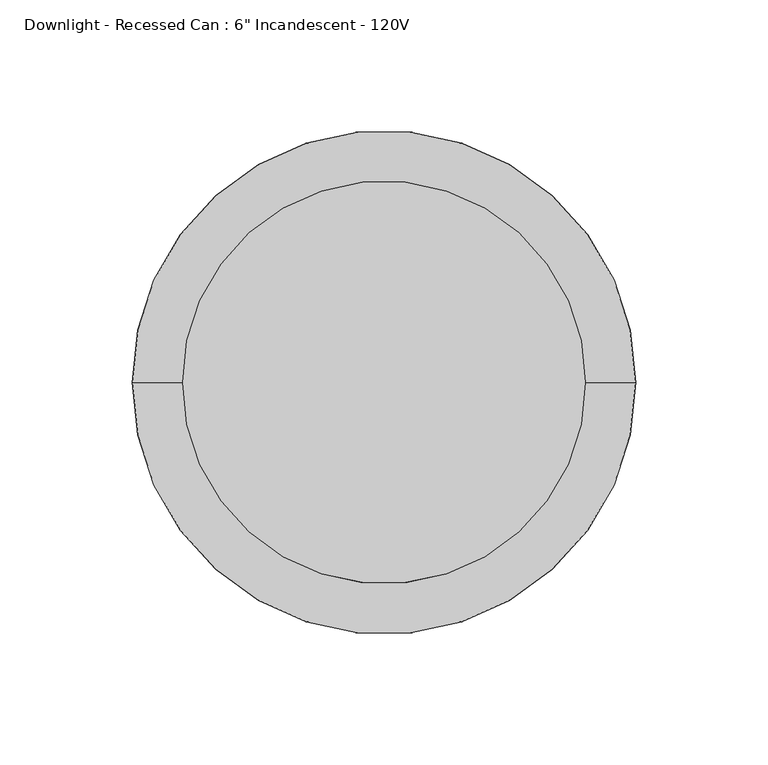
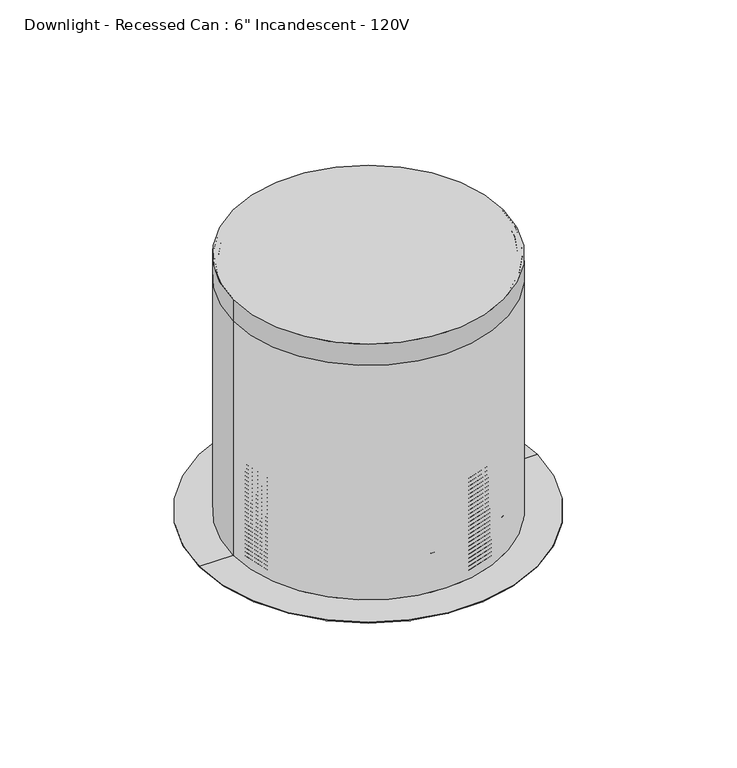
"""IFC4 building model written with IfcOpenShell, lengths in millimetres: light fixture geometry."""

from ifc_helpers import new_model, si_unit, point, frame, origin, origin_2d, place, context, project, spatial, polyline, circle_curve, ellipse_curve, trimmed, segment, composite_curve, outline, extrude, source, transform, mapped, element, save
from ifc_brep_helpers import plane_surface, cylinder_surface, revolved_surface, advanced_brep


def light_fixture_e6fbd5f8(model_context):
    return source(origin(), model_context, "Body", "SolidModel", [
        extrude(outline(composite_curve([segment(trimmed(circle_curve(origin_2d(), 76.2), [point((-76.2, 0.0))], [point((76.2, 0.0))], False, "CARTESIAN"), True, "CONTINUOUS"), segment(trimmed(circle_curve(origin_2d(), 76.2), [point((76.2, 0.0))], [point((-76.2, 0.0))], False, "CARTESIAN"), True, "CONTINUOUS")], self_intersect=False)), frame((0.0, 0.0, 2578.1), z_axis=(0.0, 0.0, 1.0), x_axis=(1.0, 0.0, 0.0)), (0.0, 0.0, 1.0), 12.7),
        advanced_brep(
        [(-75.4062638, 0.0, 2461.1274041), (-75.4062638, 0.0, 2460.2502292), (75.4062638, 0.0, 2460.2502292), (75.4062638, 0.0, 2461.1274041), (0.0, 0.0, 2444.750067), (0.0, 0.0, 2443.95625)],
        [
            (0, 1),
            (1, 2, circle_curve(frame((0.0, 0.0, 2460.2502292), z_axis=(0.0, 0.0, 1.0), x_axis=(1.0, 0.0, 0.0)), 75.4062638)),
            (2, 3),
            (3, 0, circle_curve(frame((0.0, 0.0, 2461.1274041), z_axis=(0.0, 0.0, -1.0), x_axis=(1.0, 0.0, 0.0)), 75.4062638)),
            (2, 1, circle_curve(frame((0.0, 0.0, 2460.2502292), z_axis=(0.0, 0.0, 1.0), x_axis=(1.0, 0.0, 0.0)), 75.4062638)),
            (0, 3, circle_curve(frame((0.0, 0.0, 2461.1274041), z_axis=(0.0, 0.0, -1.0), x_axis=(1.0, 0.0, 0.0)), 75.4062638)),
            (4, 0, circle_curve(frame((-2.2331891, 0.0, 2616.2531893), z_axis=(0.0, 1.0, 0.0), x_axis=(-1.0, 0.0, 0.0)), 171.5176612)),
            (3, 4, circle_curve(frame((2.2331891, 0.0, 2616.2531893), z_axis=(0.0, 1.0, 0.0), x_axis=(1.0, 0.0, 0.0)), 171.5176612)),
            (1, 5, circle_curve(frame((-2.2331891, 0.0, 2616.2531893), z_axis=(0.0, -1.0, 0.0), x_axis=(-1.0, 0.0, 0.0)), 172.3114112)),
            (5, 2, circle_curve(frame((2.2331891, 0.0, 2616.2531893), z_axis=(0.0, -1.0, 0.0), x_axis=(1.0, 0.0, 0.0)), 172.3114112)),
        ],
        [
            cylinder_surface(frame((0.0, 0.0, 2483.4474833), z_axis=(0.0, 0.0, 1.0), x_axis=(1.0, 0.0, 0.0)), 75.4062638),
            revolved_surface(trimmed(ellipse_curve(frame((2.2331891, 0.0, 2616.2531893), z_axis=(0.0, 1.0, 0.0), x_axis=(1.0, 0.0, 0.0)), 171.5176612, 171.5176612), [point((75.4062638, 0.0, 2461.1274041))], [point((0.0, 0.0, 2444.750067))], True, "CARTESIAN"), (0.0, 0.0, 2483.4474833), (0.0, 0.0, 1.0)),
            revolved_surface(trimmed(ellipse_curve(frame((2.2331891, 0.0, 2616.2531893), z_axis=(0.0, -1.0, 0.0), x_axis=(1.0, 0.0, 0.0)), 172.3114112, 172.3114112), [point((0.0, 0.0, 2443.95625))], [point((75.4062638, 0.0, 2460.2502292))], True, "CARTESIAN"), (0.0, 0.0, 2483.4474833), (0.0, 0.0, 1.0)),
        ],
        [
            (0, [[1, 2, 3, 4]]),
            (0, [[-3, 5, -1, 6]]),
            (1, [[7, -4, 8]]),
            (1, [[-8, -6, -7]]),
            (2, [[9, 10, -2]]),
            (2, [[-10, -9, -5]]),
        ],
    ),
        advanced_brep(
        [(0.0, 75.40625, 2590.8), (0.0, 75.40625, 2438.4), (0.0, -75.40625, 2438.4), (0.0, -75.40625, 2590.8), (0.0, 73.025, 2590.8), (0.0, -73.025, 2590.8), (0.0, 73.025, 2497.93125), (0.0, -73.025, 2497.93125), (0.0, 74.215625, 2496.740625), (0.0, -74.215625, 2496.740625), (0.0, 73.025, 2495.55), (0.0, -73.025, 2495.55), (0.0, 74.215625, 2494.359375), (0.0, -74.215625, 2494.359375), (0.0, 73.025, 2493.16875), (0.0, -73.025, 2493.16875), (0.0, 74.215625, 2491.978125), (0.0, -74.215625, 2491.978125), (0.0, 73.025, 2490.7875), (0.0, -73.025, 2490.7875), (0.0, 74.215625, 2489.596875), (0.0, -74.215625, 2489.596875), (0.0, 73.025, 2488.40625), (0.0, -73.025, 2488.40625), (0.0, 74.215625, 2487.215625), (0.0, -74.215625, 2487.215625), (0.0, 73.025, 2486.025), (0.0, -73.025, 2486.025), (0.0, 74.215625, 2484.834375), (0.0, -74.215625, 2484.834375), (0.0, 73.025, 2483.64375), (0.0, -73.025, 2483.64375), (0.0, 74.215625, 2482.453125), (0.0, -74.215625, 2482.453125), (0.0, 73.025, 2481.2625), (0.0, -73.025, 2481.2625), (0.0, 74.215625, 2480.071875), (0.0, -74.215625, 2480.071875), (0.0, 73.025, 2478.88125), (0.0, -73.025, 2478.88125), (0.0, 74.215625, 2477.690625), (0.0, -74.215625, 2477.690625), (0.0, 73.025, 2476.5), (0.0, -73.025, 2476.5), (0.0, 74.215625, 2475.309375), (0.0, -74.215625, 2475.309375), (0.0, 73.025, 2474.11875), (0.0, -73.025, 2474.11875), (0.0, 74.215625, 2472.928125), (0.0, -74.215625, 2472.928125), (0.0, 73.025, 2471.7375), (0.0, -73.025, 2471.7375), (0.0, 74.215625, 2470.546875), (0.0, -74.215625, 2470.546875), (0.0, 73.025, 2469.35625), (0.0, -73.025, 2469.35625), (0.0, 74.215625, 2468.165625), (0.0, -74.215625, 2468.165625), (0.0, 73.025, 2466.975), (0.0, -73.025, 2466.975), (0.0, 74.215625, 2465.784375), (0.0, -74.215625, 2465.784375), (0.0, 73.025, 2464.59375), (0.0, -73.025, 2464.59375), (0.0, 74.215625, 2463.403125), (0.0, -74.215625, 2463.403125), (0.0, 73.025, 2462.2125), (0.0, -73.025, 2462.2125), (0.0, 74.215625, 2461.021875), (0.0, -74.215625, 2461.021875), (0.0, 73.025, 2459.83125), (0.0, -73.025, 2459.83125), (0.0, 74.215625, 2458.640625), (0.0, -74.215625, 2458.640625), (0.0, 73.025, 2457.45), (0.0, -73.025, 2457.45), (0.0, 74.215625, 2456.259375), (0.0, -74.215625, 2456.259375), (0.0, 73.025, 2455.06875), (0.0, -73.025, 2455.06875), (0.0, 74.215625, 2453.878125), (0.0, -74.215625, 2453.878125), (0.0, 73.025, 2452.6875), (0.0, -73.025, 2452.6875), (0.0, 74.215625, 2451.496875), (0.0, -74.215625, 2451.496875), (0.0, 73.025, 2450.30625), (0.0, -73.025, 2450.30625), (0.0, 74.215625, 2449.115625), (0.0, -74.215625, 2449.115625), (0.0, 73.025, 2447.925), (0.0, -73.025, 2447.925), (0.0, 74.215625, 2446.734375), (0.0, -74.215625, 2446.734375), (0.0, 73.025, 2445.54375), (0.0, -73.025, 2445.54375), (0.0, 74.215625, 2444.353125), (0.0, -74.215625, 2444.353125), (0.0, 73.025, 2443.1625), (0.0, -73.025, 2443.1625), (0.0, 74.215625, 2441.971875), (0.0, -74.215625, 2441.971875), (0.0, 73.025, 2440.78125), (0.0, -73.025, 2440.78125)],
        [
            (0, 1),
            (1, 2, circle_curve(frame((0.0, 0.0, 2438.4), z_axis=(0.0, 0.0, 1.0), x_axis=(0.0, -1.0, 0.0)), 75.40625)),
            (2, 3),
            (3, 0, circle_curve(frame((0.0, 0.0, 2590.8), z_axis=(0.0, 0.0, -1.0), x_axis=(0.0, -1.0, 0.0)), 75.40625)),
            (2, 1, circle_curve(frame((0.0, 0.0, 2438.4), z_axis=(0.0, 0.0, 1.0), x_axis=(0.0, -1.0, 0.0)), 75.40625)),
            (0, 3, circle_curve(frame((0.0, 0.0, 2590.8), z_axis=(0.0, 0.0, -1.0), x_axis=(0.0, -1.0, 0.0)), 75.40625)),
            (4, 0),
            (3, 5),
            (5, 4, circle_curve(frame((0.0, 0.0, 2590.8), z_axis=(0.0, 0.0, -1.0), x_axis=(0.0, -1.0, 0.0)), 73.025)),
            (4, 5, circle_curve(frame((0.0, 0.0, 2590.8), z_axis=(0.0, 0.0, -1.0), x_axis=(0.0, -1.0, 0.0)), 73.025)),
            (6, 4),
            (5, 7),
            (7, 6, circle_curve(frame((0.0, 0.0, 2497.93125), z_axis=(0.0, 0.0, -1.0), x_axis=(0.0, -1.0, 0.0)), 73.025)),
            (6, 7, circle_curve(frame((0.0, 0.0, 2497.93125), z_axis=(0.0, 0.0, -1.0), x_axis=(0.0, -1.0, 0.0)), 73.025)),
            (8, 6),
            (7, 9),
            (9, 8, circle_curve(frame((0.0, 0.0, 2496.740625), z_axis=(0.0, 0.0, -1.0), x_axis=(0.0, -1.0, 0.0)), 74.215625)),
            (8, 9, circle_curve(frame((0.0, 0.0, 2496.740625), z_axis=(0.0, 0.0, -1.0), x_axis=(0.0, -1.0, 0.0)), 74.215625)),
            (10, 8),
            (9, 11),
            (11, 10, circle_curve(frame((0.0, 0.0, 2495.55), z_axis=(0.0, 0.0, -1.0), x_axis=(0.0, -1.0, 0.0)), 73.025)),
            (10, 11, circle_curve(frame((0.0, 0.0, 2495.55), z_axis=(0.0, 0.0, -1.0), x_axis=(0.0, -1.0, 0.0)), 73.025)),
            (12, 10),
            (11, 13),
            (13, 12, circle_curve(frame((0.0, 0.0, 2494.359375), z_axis=(0.0, 0.0, -1.0), x_axis=(0.0, -1.0, 0.0)), 74.215625)),
            (12, 13, circle_curve(frame((0.0, 0.0, 2494.359375), z_axis=(0.0, 0.0, -1.0), x_axis=(0.0, -1.0, 0.0)), 74.215625)),
            (14, 12),
            (13, 15),
            (15, 14, circle_curve(frame((0.0, 0.0, 2493.16875), z_axis=(0.0, 0.0, -1.0), x_axis=(0.0, -1.0, 0.0)), 73.025)),
            (14, 15, circle_curve(frame((0.0, 0.0, 2493.16875), z_axis=(0.0, 0.0, -1.0), x_axis=(0.0, -1.0, 0.0)), 73.025)),
            (16, 14),
            (15, 17),
            (17, 16, circle_curve(frame((0.0, 0.0, 2491.978125), z_axis=(0.0, 0.0, -1.0), x_axis=(0.0, -1.0, 0.0)), 74.215625)),
            (16, 17, circle_curve(frame((0.0, 0.0, 2491.978125), z_axis=(0.0, 0.0, -1.0), x_axis=(0.0, -1.0, 0.0)), 74.215625)),
            (18, 16),
            (17, 19),
            (19, 18, circle_curve(frame((0.0, 0.0, 2490.7875), z_axis=(0.0, 0.0, -1.0), x_axis=(0.0, -1.0, 0.0)), 73.025)),
            (18, 19, circle_curve(frame((0.0, 0.0, 2490.7875), z_axis=(0.0, 0.0, -1.0), x_axis=(0.0, -1.0, 0.0)), 73.025)),
            (20, 18),
            (19, 21),
            (21, 20, circle_curve(frame((0.0, 0.0, 2489.596875), z_axis=(0.0, 0.0, -1.0), x_axis=(0.0, -1.0, 0.0)), 74.215625)),
            (20, 21, circle_curve(frame((0.0, 0.0, 2489.596875), z_axis=(0.0, 0.0, -1.0), x_axis=(0.0, -1.0, 0.0)), 74.215625)),
            (22, 20),
            (21, 23),
            (23, 22, circle_curve(frame((0.0, 0.0, 2488.40625), z_axis=(0.0, 0.0, -1.0), x_axis=(0.0, -1.0, 0.0)), 73.025)),
            (22, 23, circle_curve(frame((0.0, 0.0, 2488.40625), z_axis=(0.0, 0.0, -1.0), x_axis=(0.0, -1.0, 0.0)), 73.025)),
            (24, 22),
            (23, 25),
            (25, 24, circle_curve(frame((0.0, 0.0, 2487.215625), z_axis=(0.0, 0.0, -1.0), x_axis=(0.0, -1.0, 0.0)), 74.215625)),
            (24, 25, circle_curve(frame((0.0, 0.0, 2487.215625), z_axis=(0.0, 0.0, -1.0), x_axis=(0.0, -1.0, 0.0)), 74.215625)),
            (26, 24),
            (25, 27),
            (27, 26, circle_curve(frame((0.0, 0.0, 2486.025), z_axis=(0.0, 0.0, -1.0), x_axis=(0.0, -1.0, 0.0)), 73.025)),
            (26, 27, circle_curve(frame((0.0, 0.0, 2486.025), z_axis=(0.0, 0.0, -1.0), x_axis=(0.0, -1.0, 0.0)), 73.025)),
            (28, 26),
            (27, 29),
            (29, 28, circle_curve(frame((0.0, 0.0, 2484.834375), z_axis=(0.0, 0.0, -1.0), x_axis=(0.0, -1.0, 0.0)), 74.215625)),
            (28, 29, circle_curve(frame((0.0, 0.0, 2484.834375), z_axis=(0.0, 0.0, -1.0), x_axis=(0.0, -1.0, 0.0)), 74.215625)),
            (30, 28),
            (29, 31),
            (31, 30, circle_curve(frame((0.0, 0.0, 2483.64375), z_axis=(0.0, 0.0, -1.0), x_axis=(0.0, -1.0, 0.0)), 73.025)),
            (30, 31, circle_curve(frame((0.0, 0.0, 2483.64375), z_axis=(0.0, 0.0, -1.0), x_axis=(0.0, -1.0, 0.0)), 73.025)),
            (32, 30),
            (31, 33),
            (33, 32, circle_curve(frame((0.0, 0.0, 2482.453125), z_axis=(0.0, 0.0, -1.0), x_axis=(0.0, -1.0, 0.0)), 74.215625)),
            (32, 33, circle_curve(frame((0.0, 0.0, 2482.453125), z_axis=(0.0, 0.0, -1.0), x_axis=(0.0, -1.0, 0.0)), 74.215625)),
            (34, 32),
            (33, 35),
            (35, 34, circle_curve(frame((0.0, 0.0, 2481.2625), z_axis=(0.0, 0.0, -1.0), x_axis=(0.0, -1.0, 0.0)), 73.025)),
            (34, 35, circle_curve(frame((0.0, 0.0, 2481.2625), z_axis=(0.0, 0.0, -1.0), x_axis=(0.0, -1.0, 0.0)), 73.025)),
            (36, 34),
            (35, 37),
            (37, 36, circle_curve(frame((0.0, 0.0, 2480.071875), z_axis=(0.0, 0.0, -1.0), x_axis=(0.0, -1.0, 0.0)), 74.215625)),
            (36, 37, circle_curve(frame((0.0, 0.0, 2480.071875), z_axis=(0.0, 0.0, -1.0), x_axis=(0.0, -1.0, 0.0)), 74.215625)),
            (38, 36),
            (37, 39),
            (39, 38, circle_curve(frame((0.0, 0.0, 2478.88125), z_axis=(0.0, 0.0, -1.0), x_axis=(0.0, -1.0, 0.0)), 73.025)),
            (38, 39, circle_curve(frame((0.0, 0.0, 2478.88125), z_axis=(0.0, 0.0, -1.0), x_axis=(0.0, -1.0, 0.0)), 73.025)),
            (40, 38),
            (39, 41),
            (41, 40, circle_curve(frame((0.0, 0.0, 2477.690625), z_axis=(0.0, 0.0, -1.0), x_axis=(0.0, -1.0, 0.0)), 74.215625)),
            (40, 41, circle_curve(frame((0.0, 0.0, 2477.690625), z_axis=(0.0, 0.0, -1.0), x_axis=(0.0, -1.0, 0.0)), 74.215625)),
            (42, 40),
            (41, 43),
            (43, 42, circle_curve(frame((0.0, 0.0, 2476.5), z_axis=(0.0, 0.0, -1.0), x_axis=(0.0, -1.0, 0.0)), 73.025)),
            (42, 43, circle_curve(frame((0.0, 0.0, 2476.5), z_axis=(0.0, 0.0, -1.0), x_axis=(0.0, -1.0, 0.0)), 73.025)),
            (44, 42),
            (43, 45),
            (45, 44, circle_curve(frame((0.0, 0.0, 2475.309375), z_axis=(0.0, 0.0, -1.0), x_axis=(0.0, -1.0, 0.0)), 74.215625)),
            (44, 45, circle_curve(frame((0.0, 0.0, 2475.309375), z_axis=(0.0, 0.0, -1.0), x_axis=(0.0, -1.0, 0.0)), 74.215625)),
            (46, 44),
            (45, 47),
            (47, 46, circle_curve(frame((0.0, 0.0, 2474.11875), z_axis=(0.0, 0.0, -1.0), x_axis=(0.0, -1.0, 0.0)), 73.025)),
            (46, 47, circle_curve(frame((0.0, 0.0, 2474.11875), z_axis=(0.0, 0.0, -1.0), x_axis=(0.0, -1.0, 0.0)), 73.025)),
            (48, 46),
            (47, 49),
            (49, 48, circle_curve(frame((0.0, 0.0, 2472.928125), z_axis=(0.0, 0.0, -1.0), x_axis=(0.0, -1.0, 0.0)), 74.215625)),
            (48, 49, circle_curve(frame((0.0, 0.0, 2472.928125), z_axis=(0.0, 0.0, -1.0), x_axis=(0.0, -1.0, 0.0)), 74.215625)),
            (50, 48),
            (49, 51),
            (51, 50, circle_curve(frame((0.0, 0.0, 2471.7375), z_axis=(0.0, 0.0, -1.0), x_axis=(0.0, -1.0, 0.0)), 73.025)),
            (50, 51, circle_curve(frame((0.0, 0.0, 2471.7375), z_axis=(0.0, 0.0, -1.0), x_axis=(0.0, -1.0, 0.0)), 73.025)),
            (52, 50),
            (51, 53),
            (53, 52, circle_curve(frame((0.0, 0.0, 2470.546875), z_axis=(0.0, 0.0, -1.0), x_axis=(0.0, -1.0, 0.0)), 74.215625)),
            (52, 53, circle_curve(frame((0.0, 0.0, 2470.546875), z_axis=(0.0, 0.0, -1.0), x_axis=(0.0, -1.0, 0.0)), 74.215625)),
            (54, 52),
            (53, 55),
            (55, 54, circle_curve(frame((0.0, 0.0, 2469.35625), z_axis=(0.0, 0.0, -1.0), x_axis=(0.0, -1.0, 0.0)), 73.025)),
            (54, 55, circle_curve(frame((0.0, 0.0, 2469.35625), z_axis=(0.0, 0.0, -1.0), x_axis=(0.0, -1.0, 0.0)), 73.025)),
            (56, 54),
            (55, 57),
            (57, 56, circle_curve(frame((0.0, 0.0, 2468.165625), z_axis=(0.0, 0.0, -1.0), x_axis=(0.0, -1.0, 0.0)), 74.215625)),
            (56, 57, circle_curve(frame((0.0, 0.0, 2468.165625), z_axis=(0.0, 0.0, -1.0), x_axis=(0.0, -1.0, 0.0)), 74.215625)),
            (58, 56),
            (57, 59),
            (59, 58, circle_curve(frame((0.0, 0.0, 2466.975), z_axis=(0.0, 0.0, -1.0), x_axis=(0.0, -1.0, 0.0)), 73.025)),
            (58, 59, circle_curve(frame((0.0, 0.0, 2466.975), z_axis=(0.0, 0.0, -1.0), x_axis=(0.0, -1.0, 0.0)), 73.025)),
            (60, 58),
            (59, 61),
            (61, 60, circle_curve(frame((0.0, 0.0, 2465.784375), z_axis=(0.0, 0.0, -1.0), x_axis=(0.0, -1.0, 0.0)), 74.215625)),
            (60, 61, circle_curve(frame((0.0, 0.0, 2465.784375), z_axis=(0.0, 0.0, -1.0), x_axis=(0.0, -1.0, 0.0)), 74.215625)),
            (62, 60),
            (61, 63),
            (63, 62, circle_curve(frame((0.0, 0.0, 2464.59375), z_axis=(0.0, 0.0, -1.0), x_axis=(0.0, -1.0, 0.0)), 73.025)),
            (62, 63, circle_curve(frame((0.0, 0.0, 2464.59375), z_axis=(0.0, 0.0, -1.0), x_axis=(0.0, -1.0, 0.0)), 73.025)),
            (64, 62),
            (63, 65),
            (65, 64, circle_curve(frame((0.0, 0.0, 2463.403125), z_axis=(0.0, 0.0, -1.0), x_axis=(0.0, -1.0, 0.0)), 74.215625)),
            (64, 65, circle_curve(frame((0.0, 0.0, 2463.403125), z_axis=(0.0, 0.0, -1.0), x_axis=(0.0, -1.0, 0.0)), 74.215625)),
            (66, 64),
            (65, 67),
            (67, 66, circle_curve(frame((0.0, 0.0, 2462.2125), z_axis=(0.0, 0.0, -1.0), x_axis=(0.0, -1.0, 0.0)), 73.025)),
            (66, 67, circle_curve(frame((0.0, 0.0, 2462.2125), z_axis=(0.0, 0.0, -1.0), x_axis=(0.0, -1.0, 0.0)), 73.025)),
            (68, 66),
            (67, 69),
            (69, 68, circle_curve(frame((0.0, 0.0, 2461.021875), z_axis=(0.0, 0.0, -1.0), x_axis=(0.0, -1.0, 0.0)), 74.215625)),
            (68, 69, circle_curve(frame((0.0, 0.0, 2461.021875), z_axis=(0.0, 0.0, -1.0), x_axis=(0.0, -1.0, 0.0)), 74.215625)),
            (70, 68),
            (69, 71),
            (71, 70, circle_curve(frame((0.0, 0.0, 2459.83125), z_axis=(0.0, 0.0, -1.0), x_axis=(0.0, -1.0, 0.0)), 73.025)),
            (70, 71, circle_curve(frame((0.0, 0.0, 2459.83125), z_axis=(0.0, 0.0, -1.0), x_axis=(0.0, -1.0, 0.0)), 73.025)),
            (72, 70),
            (71, 73),
            (73, 72, circle_curve(frame((0.0, 0.0, 2458.640625), z_axis=(0.0, 0.0, -1.0), x_axis=(0.0, -1.0, 0.0)), 74.215625)),
            (72, 73, circle_curve(frame((0.0, 0.0, 2458.640625), z_axis=(0.0, 0.0, -1.0), x_axis=(0.0, -1.0, 0.0)), 74.215625)),
            (74, 72),
            (73, 75),
            (75, 74, circle_curve(frame((0.0, 0.0, 2457.45), z_axis=(0.0, 0.0, -1.0), x_axis=(0.0, -1.0, 0.0)), 73.025)),
            (74, 75, circle_curve(frame((0.0, 0.0, 2457.45), z_axis=(0.0, 0.0, -1.0), x_axis=(0.0, -1.0, 0.0)), 73.025)),
            (76, 74),
            (75, 77),
            (77, 76, circle_curve(frame((0.0, 0.0, 2456.259375), z_axis=(0.0, 0.0, -1.0), x_axis=(0.0, -1.0, 0.0)), 74.215625)),
            (76, 77, circle_curve(frame((0.0, 0.0, 2456.259375), z_axis=(0.0, 0.0, -1.0), x_axis=(0.0, -1.0, 0.0)), 74.215625)),
            (78, 76),
            (77, 79),
            (79, 78, circle_curve(frame((0.0, 0.0, 2455.06875), z_axis=(0.0, 0.0, -1.0), x_axis=(0.0, -1.0, 0.0)), 73.025)),
            (78, 79, circle_curve(frame((0.0, 0.0, 2455.06875), z_axis=(0.0, 0.0, -1.0), x_axis=(0.0, -1.0, 0.0)), 73.025)),
            (80, 78),
            (79, 81),
            (81, 80, circle_curve(frame((0.0, 0.0, 2453.878125), z_axis=(0.0, 0.0, -1.0), x_axis=(0.0, -1.0, 0.0)), 74.215625)),
            (80, 81, circle_curve(frame((0.0, 0.0, 2453.878125), z_axis=(0.0, 0.0, -1.0), x_axis=(0.0, -1.0, 0.0)), 74.215625)),
            (82, 80),
            (81, 83),
            (83, 82, circle_curve(frame((0.0, 0.0, 2452.6875), z_axis=(0.0, 0.0, -1.0), x_axis=(0.0, -1.0, 0.0)), 73.025)),
            (82, 83, circle_curve(frame((0.0, 0.0, 2452.6875), z_axis=(0.0, 0.0, -1.0), x_axis=(0.0, -1.0, 0.0)), 73.025)),
            (84, 82),
            (83, 85),
            (85, 84, circle_curve(frame((0.0, 0.0, 2451.496875), z_axis=(0.0, 0.0, -1.0), x_axis=(0.0, -1.0, 0.0)), 74.215625)),
            (84, 85, circle_curve(frame((0.0, 0.0, 2451.496875), z_axis=(0.0, 0.0, -1.0), x_axis=(0.0, -1.0, 0.0)), 74.215625)),
            (86, 84),
            (85, 87),
            (87, 86, circle_curve(frame((0.0, 0.0, 2450.30625), z_axis=(0.0, 0.0, -1.0), x_axis=(0.0, -1.0, 0.0)), 73.025)),
            (86, 87, circle_curve(frame((0.0, 0.0, 2450.30625), z_axis=(0.0, 0.0, -1.0), x_axis=(0.0, -1.0, 0.0)), 73.025)),
            (88, 86),
            (87, 89),
            (89, 88, circle_curve(frame((0.0, 0.0, 2449.115625), z_axis=(0.0, 0.0, -1.0), x_axis=(0.0, -1.0, 0.0)), 74.215625)),
            (88, 89, circle_curve(frame((0.0, 0.0, 2449.115625), z_axis=(0.0, 0.0, -1.0), x_axis=(0.0, -1.0, 0.0)), 74.215625)),
            (90, 88),
            (89, 91),
            (91, 90, circle_curve(frame((0.0, 0.0, 2447.925), z_axis=(0.0, 0.0, -1.0), x_axis=(0.0, -1.0, 0.0)), 73.025)),
            (90, 91, circle_curve(frame((0.0, 0.0, 2447.925), z_axis=(0.0, 0.0, -1.0), x_axis=(0.0, -1.0, 0.0)), 73.025)),
            (92, 90),
            (91, 93),
            (93, 92, circle_curve(frame((0.0, 0.0, 2446.734375), z_axis=(0.0, 0.0, -1.0), x_axis=(0.0, -1.0, 0.0)), 74.215625)),
            (92, 93, circle_curve(frame((0.0, 0.0, 2446.734375), z_axis=(0.0, 0.0, -1.0), x_axis=(0.0, -1.0, 0.0)), 74.215625)),
            (94, 92),
            (93, 95),
            (95, 94, circle_curve(frame((0.0, 0.0, 2445.54375), z_axis=(0.0, 0.0, -1.0), x_axis=(0.0, -1.0, 0.0)), 73.025)),
            (94, 95, circle_curve(frame((0.0, 0.0, 2445.54375), z_axis=(0.0, 0.0, -1.0), x_axis=(0.0, -1.0, 0.0)), 73.025)),
            (96, 94),
            (95, 97),
            (97, 96, circle_curve(frame((0.0, 0.0, 2444.353125), z_axis=(0.0, 0.0, -1.0), x_axis=(0.0, -1.0, 0.0)), 74.215625)),
            (96, 97, circle_curve(frame((0.0, 0.0, 2444.353125), z_axis=(0.0, 0.0, -1.0), x_axis=(0.0, -1.0, 0.0)), 74.215625)),
            (98, 96),
            (97, 99),
            (99, 98, circle_curve(frame((0.0, 0.0, 2443.1625), z_axis=(0.0, 0.0, -1.0), x_axis=(0.0, -1.0, 0.0)), 73.025)),
            (98, 99, circle_curve(frame((0.0, 0.0, 2443.1625), z_axis=(0.0, 0.0, -1.0), x_axis=(0.0, -1.0, 0.0)), 73.025)),
            (100, 98),
            (99, 101),
            (101, 100, circle_curve(frame((0.0, 0.0, 2441.971875), z_axis=(0.0, 0.0, -1.0), x_axis=(0.0, -1.0, 0.0)), 74.215625)),
            (100, 101, circle_curve(frame((0.0, 0.0, 2441.971875), z_axis=(0.0, 0.0, -1.0), x_axis=(0.0, -1.0, 0.0)), 74.215625)),
            (102, 100),
            (101, 103),
            (103, 102, circle_curve(frame((0.0, 0.0, 2440.78125), z_axis=(0.0, 0.0, -1.0), x_axis=(0.0, -1.0, 0.0)), 73.025)),
            (102, 103, circle_curve(frame((0.0, 0.0, 2440.78125), z_axis=(0.0, 0.0, -1.0), x_axis=(0.0, -1.0, 0.0)), 73.025)),
            (1, 102),
            (103, 2),
        ],
        [
            cylinder_surface(frame((0.0, 0.0, 2410.61875), z_axis=(0.0, 0.0, 1.0), x_axis=(0.0, -1.0, 0.0)), 75.40625),
            plane_surface(frame((0.0, 0.0, 2590.8), z_axis=(0.0, 0.0, 1.0), x_axis=(0.0, -1.0, 0.0))),
            revolved_surface(polyline([(0.0, -73.025, 2590.8), (0.0, -73.025, 2497.93125)]), (0.0, 0.0, 2410.61875), (0.0, 0.0, 1.0)),
            revolved_surface(polyline([(0.0, -73.025, 2497.93125), (0.0, -74.215625, 2496.740625)]), (0.0, 0.0, 2410.61875), (0.0, 0.0, 1.0)),
            revolved_surface(polyline([(0.0, -74.215625, 2496.740625), (0.0, -73.025, 2495.55)]), (0.0, 0.0, 2410.61875), (0.0, 0.0, 1.0)),
            revolved_surface(polyline([(0.0, -73.025, 2495.55), (0.0, -74.215625, 2494.359375)]), (0.0, 0.0, 2410.61875), (0.0, 0.0, 1.0)),
            revolved_surface(polyline([(0.0, -74.215625, 2494.359375), (0.0, -73.025, 2493.16875)]), (0.0, 0.0, 2410.61875), (0.0, 0.0, 1.0)),
            revolved_surface(polyline([(0.0, -73.025, 2493.16875), (0.0, -74.215625, 2491.978125)]), (0.0, 0.0, 2410.61875), (0.0, 0.0, 1.0)),
            revolved_surface(polyline([(0.0, -74.215625, 2491.978125), (0.0, -73.025, 2490.7875)]), (0.0, 0.0, 2410.61875), (0.0, 0.0, 1.0)),
            revolved_surface(polyline([(0.0, -73.025, 2490.7875), (0.0, -74.215625, 2489.596875)]), (0.0, 0.0, 2410.61875), (0.0, 0.0, 1.0)),
            revolved_surface(polyline([(0.0, -74.215625, 2489.596875), (0.0, -73.025, 2488.40625)]), (0.0, 0.0, 2410.61875), (0.0, 0.0, 1.0)),
            revolved_surface(polyline([(0.0, -73.025, 2488.40625), (0.0, -74.215625, 2487.215625)]), (0.0, 0.0, 2410.61875), (0.0, 0.0, 1.0)),
            revolved_surface(polyline([(0.0, -74.215625, 2487.215625), (0.0, -73.025, 2486.025)]), (0.0, 0.0, 2410.61875), (0.0, 0.0, 1.0)),
            revolved_surface(polyline([(0.0, -73.025, 2486.025), (0.0, -74.215625, 2484.834375)]), (0.0, 0.0, 2410.61875), (0.0, 0.0, 1.0)),
            revolved_surface(polyline([(0.0, -74.215625, 2484.834375), (0.0, -73.025, 2483.64375)]), (0.0, 0.0, 2410.61875), (0.0, 0.0, 1.0)),
            revolved_surface(polyline([(0.0, -73.025, 2483.64375), (0.0, -74.215625, 2482.453125)]), (0.0, 0.0, 2410.61875), (0.0, 0.0, 1.0)),
            revolved_surface(polyline([(0.0, -74.215625, 2482.453125), (0.0, -73.025, 2481.2625)]), (0.0, 0.0, 2410.61875), (0.0, 0.0, 1.0)),
            revolved_surface(polyline([(0.0, -73.025, 2481.2625), (0.0, -74.215625, 2480.071875)]), (0.0, 0.0, 2410.61875), (0.0, 0.0, 1.0)),
            revolved_surface(polyline([(0.0, -74.215625, 2480.071875), (0.0, -73.025, 2478.88125)]), (0.0, 0.0, 2410.61875), (0.0, 0.0, 1.0)),
            revolved_surface(polyline([(0.0, -73.025, 2478.88125), (0.0, -74.215625, 2477.690625)]), (0.0, 0.0, 2410.61875), (0.0, 0.0, 1.0)),
            revolved_surface(polyline([(0.0, -74.215625, 2477.690625), (0.0, -73.025, 2476.5)]), (0.0, 0.0, 2410.61875), (0.0, 0.0, 1.0)),
            revolved_surface(polyline([(0.0, -73.025, 2476.5), (0.0, -74.215625, 2475.309375)]), (0.0, 0.0, 2410.61875), (0.0, 0.0, 1.0)),
            revolved_surface(polyline([(0.0, -74.215625, 2475.309375), (0.0, -73.025, 2474.11875)]), (0.0, 0.0, 2410.61875), (0.0, 0.0, 1.0)),
            revolved_surface(polyline([(0.0, -73.025, 2474.11875), (0.0, -74.215625, 2472.928125)]), (0.0, 0.0, 2410.61875), (0.0, 0.0, 1.0)),
            revolved_surface(polyline([(0.0, -74.215625, 2472.928125), (0.0, -73.025, 2471.7375)]), (0.0, 0.0, 2410.61875), (0.0, 0.0, 1.0)),
            revolved_surface(polyline([(0.0, -73.025, 2471.7375), (0.0, -74.215625, 2470.546875)]), (0.0, 0.0, 2410.61875), (0.0, 0.0, 1.0)),
            revolved_surface(polyline([(0.0, -74.215625, 2470.546875), (0.0, -73.025, 2469.35625)]), (0.0, 0.0, 2410.61875), (0.0, 0.0, 1.0)),
            revolved_surface(polyline([(0.0, -73.025, 2469.35625), (0.0, -74.215625, 2468.165625)]), (0.0, 0.0, 2410.61875), (0.0, 0.0, 1.0)),
            revolved_surface(polyline([(0.0, -74.215625, 2468.165625), (0.0, -73.025, 2466.975)]), (0.0, 0.0, 2410.61875), (0.0, 0.0, 1.0)),
            revolved_surface(polyline([(0.0, -73.025, 2466.975), (0.0, -74.215625, 2465.784375)]), (0.0, 0.0, 2410.61875), (0.0, 0.0, 1.0)),
            revolved_surface(polyline([(0.0, -74.215625, 2465.784375), (0.0, -73.025, 2464.59375)]), (0.0, 0.0, 2410.61875), (0.0, 0.0, 1.0)),
            revolved_surface(polyline([(0.0, -73.025, 2464.59375), (0.0, -74.215625, 2463.403125)]), (0.0, 0.0, 2410.61875), (0.0, 0.0, 1.0)),
            revolved_surface(polyline([(0.0, -74.215625, 2463.403125), (0.0, -73.025, 2462.2125)]), (0.0, 0.0, 2410.61875), (0.0, 0.0, 1.0)),
            revolved_surface(polyline([(0.0, -73.025, 2462.2125), (0.0, -74.215625, 2461.021875)]), (0.0, 0.0, 2410.61875), (0.0, 0.0, 1.0)),
            revolved_surface(polyline([(0.0, -74.215625, 2461.021875), (0.0, -73.025, 2459.83125)]), (0.0, 0.0, 2410.61875), (0.0, 0.0, 1.0)),
            revolved_surface(polyline([(0.0, -73.025, 2459.83125), (0.0, -74.215625, 2458.640625)]), (0.0, 0.0, 2410.61875), (0.0, 0.0, 1.0)),
            revolved_surface(polyline([(0.0, -74.215625, 2458.640625), (0.0, -73.025, 2457.45)]), (0.0, 0.0, 2410.61875), (0.0, 0.0, 1.0)),
            revolved_surface(polyline([(0.0, -73.025, 2457.45), (0.0, -74.215625, 2456.259375)]), (0.0, 0.0, 2410.61875), (0.0, 0.0, 1.0)),
            revolved_surface(polyline([(0.0, -74.215625, 2456.259375), (0.0, -73.025, 2455.06875)]), (0.0, 0.0, 2410.61875), (0.0, 0.0, 1.0)),
            revolved_surface(polyline([(0.0, -73.025, 2455.06875), (0.0, -74.215625, 2453.878125)]), (0.0, 0.0, 2410.61875), (0.0, 0.0, 1.0)),
            revolved_surface(polyline([(0.0, -74.215625, 2453.878125), (0.0, -73.025, 2452.6875)]), (0.0, 0.0, 2410.61875), (0.0, 0.0, 1.0)),
            revolved_surface(polyline([(0.0, -73.025, 2452.6875), (0.0, -74.215625, 2451.496875)]), (0.0, 0.0, 2410.61875), (0.0, 0.0, 1.0)),
            revolved_surface(polyline([(0.0, -74.215625, 2451.496875), (0.0, -73.025, 2450.30625)]), (0.0, 0.0, 2410.61875), (0.0, 0.0, 1.0)),
            revolved_surface(polyline([(0.0, -73.025, 2450.30625), (0.0, -74.215625, 2449.115625)]), (0.0, 0.0, 2410.61875), (0.0, 0.0, 1.0)),
            revolved_surface(polyline([(0.0, -74.215625, 2449.115625), (0.0, -73.025, 2447.925)]), (0.0, 0.0, 2410.61875), (0.0, 0.0, 1.0)),
            revolved_surface(polyline([(0.0, -73.025, 2447.925), (0.0, -74.215625, 2446.734375)]), (0.0, 0.0, 2410.61875), (0.0, 0.0, 1.0)),
            revolved_surface(polyline([(0.0, -74.215625, 2446.734375), (0.0, -73.025, 2445.54375)]), (0.0, 0.0, 2410.61875), (0.0, 0.0, 1.0)),
            revolved_surface(polyline([(0.0, -73.025, 2445.54375), (0.0, -74.215625, 2444.353125)]), (0.0, 0.0, 2410.61875), (0.0, 0.0, 1.0)),
            revolved_surface(polyline([(0.0, -74.215625, 2444.353125), (0.0, -73.025, 2443.1625)]), (0.0, 0.0, 2410.61875), (0.0, 0.0, 1.0)),
            revolved_surface(polyline([(0.0, -73.025, 2443.1625), (0.0, -74.215625, 2441.971875)]), (0.0, 0.0, 2410.61875), (0.0, 0.0, 1.0)),
            revolved_surface(polyline([(0.0, -74.215625, 2441.971875), (0.0, -73.025, 2440.78125)]), (0.0, 0.0, 2410.61875), (0.0, 0.0, 1.0)),
            revolved_surface(polyline([(0.0, -73.025, 2440.78125), (0.0, -75.40625, 2438.4)]), (0.0, 0.0, 2410.61875), (0.0, 0.0, 1.0)),
        ],
        [
            (0, [[1, 2, 3, 4]]),
            (0, [[-3, 5, -1, 6]]),
            (1, [[7, -4, 8, 9]]),
            (1, [[-8, -6, -7, 10]]),
            (2, [[11, -9, 12, 13]]),
            (2, [[-12, -10, -11, 14]]),
            (3, [[15, -13, 16, 17]]),
            (3, [[-16, -14, -15, 18]]),
            (4, [[19, -17, 20, 21]]),
            (4, [[-20, -18, -19, 22]]),
            (5, [[23, -21, 24, 25]]),
            (5, [[-24, -22, -23, 26]]),
            (6, [[27, -25, 28, 29]]),
            (6, [[-28, -26, -27, 30]]),
            (7, [[31, -29, 32, 33]]),
            (7, [[-32, -30, -31, 34]]),
            (8, [[35, -33, 36, 37]]),
            (8, [[-36, -34, -35, 38]]),
            (9, [[39, -37, 40, 41]]),
            (9, [[-40, -38, -39, 42]]),
            (10, [[43, -41, 44, 45]]),
            (10, [[-44, -42, -43, 46]]),
            (11, [[47, -45, 48, 49]]),
            (11, [[-48, -46, -47, 50]]),
            (12, [[51, -49, 52, 53]]),
            (12, [[-52, -50, -51, 54]]),
            (13, [[55, -53, 56, 57]]),
            (13, [[-56, -54, -55, 58]]),
            (14, [[59, -57, 60, 61]]),
            (14, [[-60, -58, -59, 62]]),
            (15, [[63, -61, 64, 65]]),
            (15, [[-64, -62, -63, 66]]),
            (16, [[67, -65, 68, 69]]),
            (16, [[-68, -66, -67, 70]]),
            (17, [[71, -69, 72, 73]]),
            (17, [[-72, -70, -71, 74]]),
            (18, [[75, -73, 76, 77]]),
            (18, [[-76, -74, -75, 78]]),
            (19, [[79, -77, 80, 81]]),
            (19, [[-80, -78, -79, 82]]),
            (20, [[83, -81, 84, 85]]),
            (20, [[-84, -82, -83, 86]]),
            (21, [[87, -85, 88, 89]]),
            (21, [[-88, -86, -87, 90]]),
            (22, [[91, -89, 92, 93]]),
            (22, [[-92, -90, -91, 94]]),
            (23, [[95, -93, 96, 97]]),
            (23, [[-96, -94, -95, 98]]),
            (24, [[99, -97, 100, 101]]),
            (24, [[-100, -98, -99, 102]]),
            (25, [[103, -101, 104, 105]]),
            (25, [[-104, -102, -103, 106]]),
            (26, [[107, -105, 108, 109]]),
            (26, [[-108, -106, -107, 110]]),
            (27, [[111, -109, 112, 113]]),
            (27, [[-112, -110, -111, 114]]),
            (28, [[115, -113, 116, 117]]),
            (28, [[-116, -114, -115, 118]]),
            (29, [[119, -117, 120, 121]]),
            (29, [[-120, -118, -119, 122]]),
            (30, [[123, -121, 124, 125]]),
            (30, [[-124, -122, -123, 126]]),
            (31, [[127, -125, 128, 129]]),
            (31, [[-128, -126, -127, 130]]),
            (32, [[131, -129, 132, 133]]),
            (32, [[-132, -130, -131, 134]]),
            (33, [[135, -133, 136, 137]]),
            (33, [[-136, -134, -135, 138]]),
            (34, [[139, -137, 140, 141]]),
            (34, [[-140, -138, -139, 142]]),
            (35, [[143, -141, 144, 145]]),
            (35, [[-144, -142, -143, 146]]),
            (36, [[147, -145, 148, 149]]),
            (36, [[-148, -146, -147, 150]]),
            (37, [[151, -149, 152, 153]]),
            (37, [[-152, -150, -151, 154]]),
            (38, [[155, -153, 156, 157]]),
            (38, [[-156, -154, -155, 158]]),
            (39, [[159, -157, 160, 161]]),
            (39, [[-160, -158, -159, 162]]),
            (40, [[163, -161, 164, 165]]),
            (40, [[-164, -162, -163, 166]]),
            (41, [[167, -165, 168, 169]]),
            (41, [[-168, -166, -167, 170]]),
            (42, [[171, -169, 172, 173]]),
            (42, [[-172, -170, -171, 174]]),
            (43, [[175, -173, 176, 177]]),
            (43, [[-176, -174, -175, 178]]),
            (44, [[179, -177, 180, 181]]),
            (44, [[-180, -178, -179, 182]]),
            (45, [[183, -181, 184, 185]]),
            (45, [[-184, -182, -183, 186]]),
            (46, [[187, -185, 188, 189]]),
            (46, [[-188, -186, -187, 190]]),
            (47, [[191, -189, 192, 193]]),
            (47, [[-192, -190, -191, 194]]),
            (48, [[195, -193, 196, 197]]),
            (48, [[-196, -194, -195, 198]]),
            (49, [[199, -197, 200, 201]]),
            (49, [[-200, -198, -199, 202]]),
            (50, [[203, -201, 204, 205]]),
            (50, [[-204, -202, -203, 206]]),
            (51, [[207, -205, 208, -2]]),
            (51, [[-208, -206, -207, -5]]),
        ],
    ),
        advanced_brep(
        [(-76.2, 0.0, 2438.4), (-76.2, 0.0, 2590.8), (76.2, 0.0, 2590.8), (76.2, 0.0, 2438.4), (-95.25, 0.0, 2438.4), (95.25, 0.0, 2438.4), (-94.5415485, 0.0, 2437.5691216), (94.5415485, 0.0, 2437.5691216), (-76.6546358, 0.0, 2436.6317083), (76.6546358, 0.0, 2436.6317083), (-75.40625, 0.0, 2437.8163821), (75.40625, 0.0, 2437.8163821), (-75.40625, 0.0, 2590.8), (75.40625, 0.0, 2590.8)],
        [
            (0, 1),
            (1, 2, circle_curve(frame((0.0, 0.0, 2590.8), z_axis=(0.0, 0.0, -1.0), x_axis=(1.0, 0.0, 0.0)), 76.2)),
            (2, 3),
            (3, 0, circle_curve(frame((0.0, 0.0, 2438.4), z_axis=(0.0, 0.0, 1.0), x_axis=(1.0, 0.0, 0.0)), 76.2)),
            (2, 1, circle_curve(frame((0.0, 0.0, 2590.8), z_axis=(0.0, 0.0, -1.0), x_axis=(1.0, 0.0, 0.0)), 76.2)),
            (0, 3, circle_curve(frame((0.0, 0.0, 2438.4), z_axis=(0.0, 0.0, 1.0), x_axis=(1.0, 0.0, 0.0)), 76.2)),
            (4, 0),
            (3, 5),
            (5, 4, circle_curve(frame((0.0, 0.0, 2438.4), z_axis=(0.0, 0.0, 1.0), x_axis=(1.0, 0.0, 0.0)), 95.25)),
            (4, 5, circle_curve(frame((0.0, 0.0, 2438.4), z_axis=(0.0, 0.0, 1.0), x_axis=(1.0, 0.0, 0.0)), 95.25)),
            (6, 4, circle_curve(frame((-94.5021886, 0.0, 2438.320153), z_axis=(0.0, 1.0, 0.0), x_axis=(0.0, 0.0, 1.0)), 0.7520621)),
            (5, 7, circle_curve(frame((94.5021886, 0.0, 2438.320153), z_axis=(0.0, 1.0, 0.0), x_axis=(0.0, 0.0, 1.0)), 0.7520621)),
            (7, 6, circle_curve(frame((0.0, 0.0, 2437.5691216), z_axis=(0.0, 0.0, 1.0), x_axis=(1.0, 0.0, 0.0)), 94.5415485)),
            (6, 7, circle_curve(frame((0.0, 0.0, 2437.5691216), z_axis=(0.0, 0.0, 1.0), x_axis=(1.0, 0.0, 0.0)), 94.5415485)),
            (8, 6),
            (7, 9),
            (9, 8, circle_curve(frame((0.0, 0.0, 2436.6317083), z_axis=(0.0, 0.0, 1.0), x_axis=(1.0, 0.0, 0.0)), 76.6546358)),
            (8, 9, circle_curve(frame((0.0, 0.0, 2436.6317083), z_axis=(0.0, 0.0, 1.0), x_axis=(1.0, 0.0, 0.0)), 76.6546358)),
            (10, 8, circle_curve(frame((-76.5925496, 0.0, 2437.8163821), z_axis=(0.0, 1.0, 0.0), x_axis=(0.0, 0.0, 1.0)), 1.1862996)),
            (9, 11, circle_curve(frame((76.5925496, 0.0, 2437.8163821), z_axis=(0.0, 1.0, 0.0), x_axis=(0.0, 0.0, 1.0)), 1.1862996)),
            (11, 10, circle_curve(frame((0.0, 0.0, 2437.8163821), z_axis=(0.0, 0.0, 1.0), x_axis=(1.0, 0.0, 0.0)), 75.40625)),
            (10, 11, circle_curve(frame((0.0, 0.0, 2437.8163821), z_axis=(0.0, 0.0, 1.0), x_axis=(1.0, 0.0, 0.0)), 75.40625)),
            (12, 10),
            (11, 13),
            (13, 12, circle_curve(frame((0.0, 0.0, 2590.8), z_axis=(0.0, 0.0, 1.0), x_axis=(1.0, 0.0, 0.0)), 75.40625)),
            (12, 13, circle_curve(frame((0.0, 0.0, 2590.8), z_axis=(0.0, 0.0, 1.0), x_axis=(1.0, 0.0, 0.0)), 75.40625)),
            (1, 12),
            (13, 2),
        ],
        [
            cylinder_surface(frame((0.0, 0.0, 2635.25), z_axis=(0.0, 0.0, -1.0), x_axis=(1.0, 0.0, 0.0)), 76.2),
            plane_surface(frame((0.0, 0.0, 2438.4), z_axis=(0.0, 0.0, 1.0), x_axis=(1.0, 0.0, 0.0))),
            revolved_surface(trimmed(ellipse_curve(frame((94.5021886, 0.0, 2438.320153), z_axis=(0.0, 1.0, 0.0), x_axis=(0.0, 0.0, 1.0)), 0.7520621, 0.7520621), [point((95.25, 0.0, 2438.4))], [point((94.5415485, 0.0, 2437.5691216))], True, "CARTESIAN"), (0.0, 0.0, 2635.25), (0.0, 0.0, -1.0)),
            revolved_surface(polyline([(94.5415485, 0.0, 2437.5691216), (76.6546358, 0.0, 2436.6317083)]), (0.0, 0.0, 2635.25), (0.0, 0.0, -1.0)),
            revolved_surface(trimmed(ellipse_curve(frame((76.5925496, 0.0, 2437.8163821), z_axis=(0.0, 1.0, 0.0), x_axis=(0.0, 0.0, 1.0)), 1.1862996, 1.1862996), [point((76.6546358, 0.0, 2436.6317083))], [point((75.40625, 0.0, 2437.8163821))], True, "CARTESIAN"), (0.0, 0.0, 2635.25), (0.0, 0.0, -1.0)),
            revolved_surface(polyline([(75.40625, 0.0, 2437.8163821), (75.40625, 0.0, 2590.8)]), (0.0, 0.0, 2635.25), (0.0, 0.0, -1.0)),
            plane_surface(frame((0.0, 0.0, 2590.8), z_axis=(0.0, 0.0, 1.0), x_axis=(1.0, 0.0, 0.0))),
        ],
        [
            (0, [[1, 2, 3, 4]]),
            (0, [[-3, 5, -1, 6]]),
            (1, [[7, -4, 8, 9]]),
            (1, [[-8, -6, -7, 10]]),
            (2, [[11, -9, 12, 13]]),
            (2, [[-12, -10, -11, 14]]),
            (3, [[15, -13, 16, 17]]),
            (3, [[-16, -14, -15, 18]]),
            (4, [[19, -17, 20, 21]]),
            (4, [[-20, -18, -19, 22]]),
            (5, [[23, -21, 24, 25]]),
            (5, [[-24, -22, -23, 26]]),
            (6, [[27, -25, 28, -2]]),
            (6, [[-28, -26, -27, -5]]),
        ],
    ),
    ])


if __name__ == "__main__":
    model = new_model("IFC4")
    model_context = context("Model", 3, world=origin())
    ifc_project = project(units=[si_unit("LENGTHUNIT", "METRE", prefix="MILLI")], contexts=[model_context])
    site = spatial("IfcSite", under=ifc_project)
    building = spatial("IfcBuilding", under=site)
    placement = place(None, origin())
    light_fixture_shape = light_fixture_e6fbd5f8(model_context)
    element("IfcLightFixture", 1, ObjectType="Downlight - Recessed Can : 6\" Incandescent - 120V", at=placement, inside=building, context=model_context, shape_type="MappedRepresentation", body=[
        mapped(light_fixture_shape, transform((0.0, 0.0, 0.0), x_axis=(1.0, 0.0, 0.0), y_axis=(0.0, 1.0, 0.0), z_axis=(0.0, 0.0, 1.0))),
    ])
    save(model, "model.ifc")
